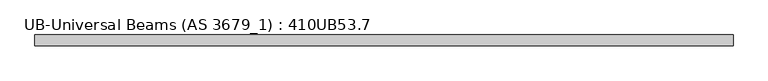
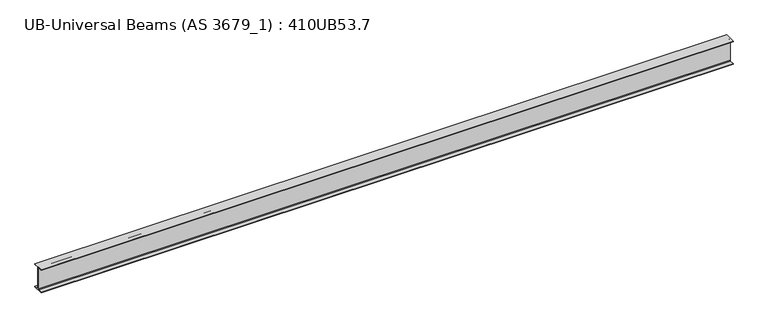
"""IFC4 building model written with IfcOpenShell, lengths in millimetres: beam geometry, UB-Universal Beams (AS 3679_1) : 410UB53.7."""

from ifc_helpers import new_model, si_unit, point, frame, frame_2d, origin, place, context, project, spatial, polyline, circle_curve, trimmed, segment, composite_curve, outline, extrude, source, transform, mapped, element, save


def ub_universal_beams_as_3679_1_410ub53_7_fc6a9e18(model_context):
    return source(origin(), model_context, "Body", "SweptSolid", [
        extrude(outline(composite_curve([segment(polyline([(89.0, -190.4), (89.0, -201.3), (-89.0, -201.3), (-89.0, -190.4), (-15.2, -190.4)]), True, "CONTINUOUS"), segment(trimmed(circle_curve(frame_2d((-15.2, -179.0)), 11.4), [point((-15.2, -190.4))], [point((-3.8, -179.0))], True, "CARTESIAN"), True, "CONTINUOUS"), segment(polyline([(-3.8, -179.0), (-3.8, 179.0)]), True, "CONTINUOUS"), segment(trimmed(circle_curve(frame_2d((-15.2, 179.0)), 11.4), [point((-3.8, 179.0))], [point((-15.2, 190.4))], True, "CARTESIAN"), True, "CONTINUOUS"), segment(polyline([(-15.2, 190.4), (-89.0, 190.4), (-89.0, 201.3), (89.0, 201.3), (89.0, 190.4), (15.2, 190.4)]), True, "CONTINUOUS"), segment(trimmed(circle_curve(frame_2d((15.2, 179.0)), 11.4), [point((15.2, 190.4))], [point((3.8, 179.0))], True, "CARTESIAN"), True, "CONTINUOUS"), segment(polyline([(3.8, 179.0), (3.8, -179.0)]), True, "CONTINUOUS"), segment(trimmed(circle_curve(frame_2d((15.2, -179.0)), 11.4), [point((3.8, -179.0))], [point((15.2, -190.4))], True, "CARTESIAN"), True, "CONTINUOUS"), segment(polyline([(15.2, -190.4), (89.0, -190.4)]), True, "CONTINUOUS")], self_intersect=False)), frame((-5686.75, 0.0, 0.0), z_axis=(1.0, 0.0, 0.0), x_axis=(0.0, 1.0, 0.0)), (0.0, 0.0, 1.0), 11360.8),
    ])


if __name__ == "__main__":
    model = new_model("IFC4")
    model_context = context("Model", 3, world=origin())
    ifc_project = project(units=[si_unit("LENGTHUNIT", "METRE", prefix="MILLI")], contexts=[model_context])
    site = spatial("IfcSite", under=ifc_project)
    building = spatial("IfcBuilding", under=site)
    placement = place(None, origin())
    ub_universal_beams_as_3679_1_410ub53_7_shape = ub_universal_beams_as_3679_1_410ub53_7_fc6a9e18(model_context)
    element("IfcBeam", 1, ObjectType="UB-Universal Beams (AS 3679_1) : 410UB53.7", at=placement, inside=building, context=model_context, shape_type="MappedRepresentation", body=[
        mapped(ub_universal_beams_as_3679_1_410ub53_7_shape, transform((0.0, 0.0, 0.0), x_axis=(1.0, 0.0, 0.0), y_axis=(0.0, 1.0, 0.0), z_axis=(0.0, 0.0, 1.0))),
    ])
    save(model, "model.ifc")
